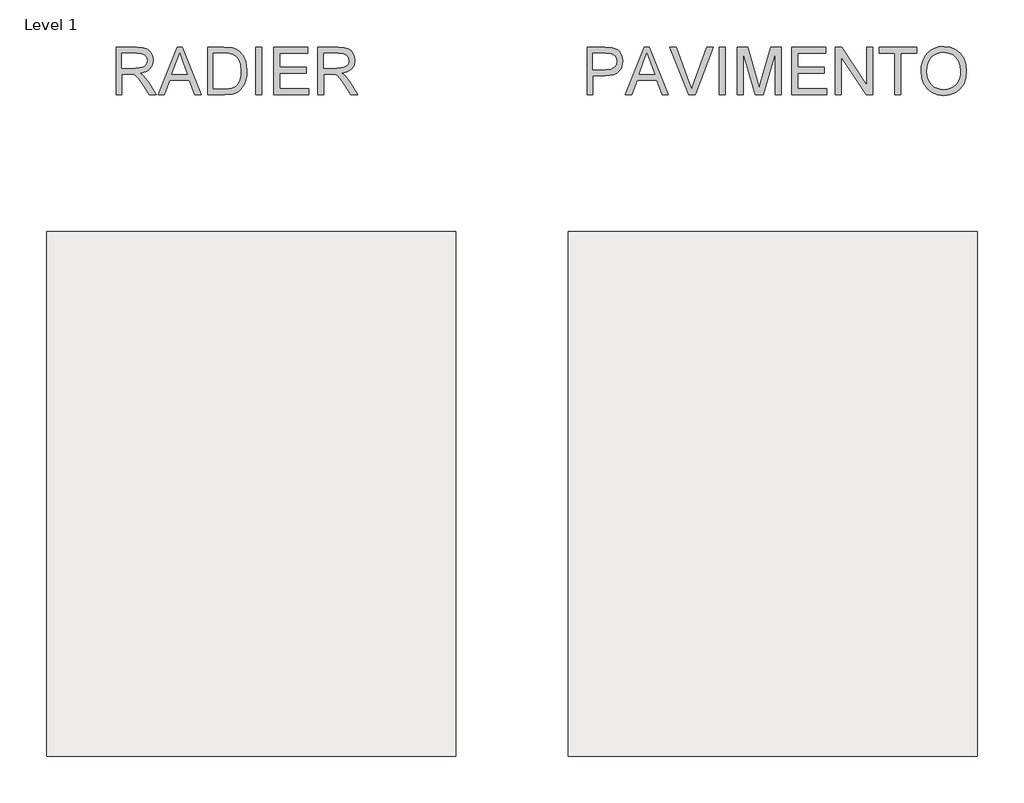
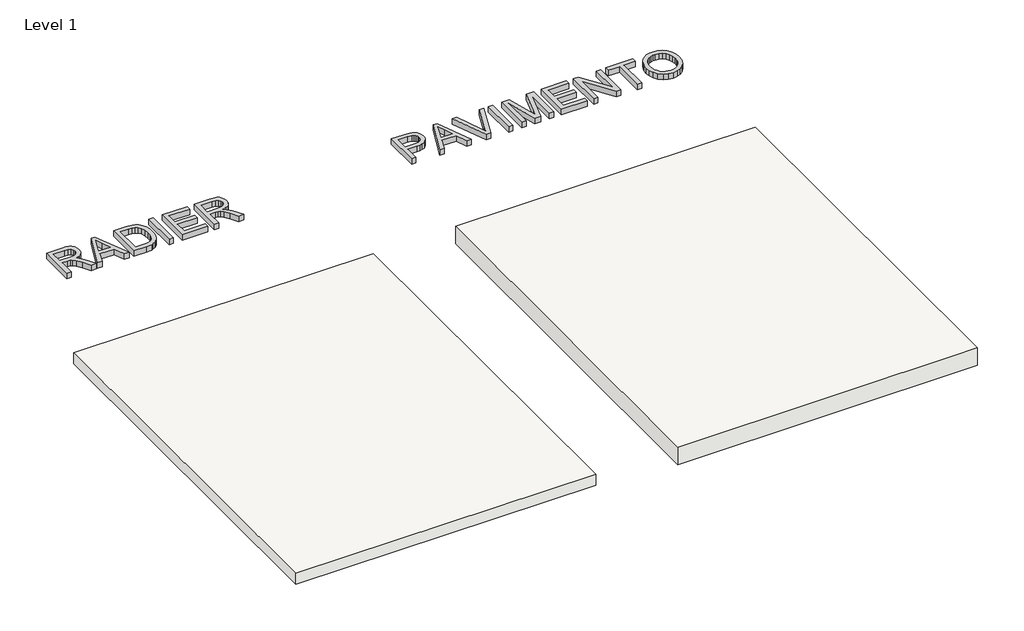
# One storey: 2 proxies, 2 slabs.
"""IFC4 building model written with IfcOpenShell, lengths in millimetres."""

from ifc_helpers import new_model, si_unit, frame, origin, origin_with_axes, place, context, project, spatial, polyline, outline, extrude, element, save

model = new_model("IFC4")

# Units and contexts
model_context = context("Model", 3, world=origin())
ifc_project = project(units=[si_unit("LENGTHUNIT", "METRE", prefix="MILLI")], contexts=[model_context])

# Site, building, storey
site = spatial("IfcSite", under=ifc_project)
building = spatial("IfcBuilding", under=site)
storey = spatial("IfcBuildingStorey", under=building, Name="Level 1", Elevation=0.0)

# Proxies
placement = place(None, origin())
element("IfcBuildingElementProxy", 1, Name="Generic Models", at=placement, inside=storey, context=model_context, shape_type="SweptSolid", body=[
    extrude(outline(polyline([(16165.7178167, 4943.9931302), (16165.7178167, 5245.3620607), (16295.580161, 5245.3620607), (16330.4829653, 5243.3295126), (16355.87602, 5237.2318686), (16374.4356667, 5225.9746795), (16388.8382468, 5208.4634965), (16398.0812819, 5186.7492618), (16401.1622936, 5162.8829173), (16396.0579309, 5133.1948403), (16380.7448429, 5108.5835348), (16369.1450637, 5098.554152), (16354.763177, 5090.538923), (16317.6530807, 5080.5509268), (16339.0638128, 5064.4376954), (16369.5980184, 5025.6629331), (16419.850699, 4943.9931302), (16376.0727416, 4943.9931302), (16336.8565209, 5006.459493), (16308.5296072, 5047.8094292), (16288.6271913, 5067.3439632), (16270.7113381, 5074.5176621), (16248.8591476, 5075.8420373), (16203.388933, 5075.8420373), (16203.388933, 4943.9931302), (16165.7178167, 4943.9931302)]), holes=[polyline([(16203.388933, 5113.5131536), (16287.7074863, 5113.5131536), (16311.9233187, 5114.8467258), (16330.7128916, 5118.8474425), (16344.8579543, 5125.7820181), (16355.140256, 5135.9171671), (16361.403447, 5148.1768346), (16363.4911773, 5161.4849658), (16359.5088547, 5179.8606714), (16347.5618869, 5194.6679217), (16327.0064805, 5204.4351887), (16297.1988418, 5207.6909443), (16203.388933, 5207.6909443), (16203.388933, 5113.5131536)])]), origin_with_axes(), (0.0, 0.0, 1.0), 50.0),
    extrude(outline(polyline([(16431.9908048, 4943.9931302), (16552.2882172, 5245.3620607), (16584.3675272, 5245.3620607), (16704.6649397, 4943.9931302), (16664.8601078, 4943.9931302), (16630.3527766, 5038.170921), (16506.2293915, 5038.170921), (16471.7956367, 4943.9931302), (16431.9908048, 4943.9931302)]), holes=[polyline([(16520.0617545, 5075.8420373), (16616.59399, 5075.8420373), (16589.4442988, 5149.9334711), (16568.3278722, 5207.6909443), (16549.5658905, 5156.4081942), (16520.0617545, 5075.8420373)])]), origin_with_axes(), (0.0, 0.0, 1.0), 50.0),
    extrude(outline(polyline([(16744.9112299, 4943.9931302), (16744.9112299, 5245.3620607), (16848.8746818, 5245.3620607), (16902.6590295, 5241.0210531), (16926.6817237, 5232.6517377), (16946.9520217, 5219.4631682), (16967.7925367, 5196.5073317), (16982.6365752, 5167.9596889), (16991.5209254, 5134.3720627), (16994.4823755, 5096.2962762), (16992.4774186, 5063.9502518), (16986.462548, 5035.4853824), (16977.3022863, 5011.251156), (16965.8611562, 4991.5970604), (16952.6909808, 4976.0816372), (16938.343583, 4964.2634281), (16921.8716667, 4955.4986396), (16902.3279357, 4949.1434781), (16853.8778769, 4943.9931302), (16744.9112299, 4943.9931302)]), holes=[polyline([(16782.5823462, 4981.6642465), (16849.2425638, 4981.6642465), (16876.8153193, 4983.0254099), (16897.7294107, 4987.1089), (16913.5115483, 4993.6755937), (16925.6884424, 5002.4863674), (16938.7758443, 5018.7927369), (16948.6074907, 5039.8999663), (16954.760317, 5065.9000264), (16956.8112591, 5096.8848874), (16952.7921483, 5137.9405181), (16940.734816, 5168.2539945), (16922.9201303, 5189.0761154), (16901.6289599, 5201.6576796), (16879.9607104, 5206.1826282), (16848.2124942, 5207.6909443), (16782.5823462, 5207.6909443), (16782.5823462, 4981.6642465)])]), origin_with_axes(), (0.0, 0.0, 1.0), 50.0),
    extrude(outline(polyline([(17050.9890499, 4943.9931302), (17050.9890499, 5245.3620607), (17088.6601662, 5245.3620607), (17088.6601662, 4943.9931302), (17050.9890499, 4943.9931302)])), origin_with_axes(), (0.0, 0.0, 1.0), 50.0),
    extrude(outline(polyline([(17164.0023988, 4943.9931302), (17164.0023988, 5245.3620607), (17380.6113176, 5245.3620607), (17380.6113176, 5207.6909443), (17201.6735151, 5207.6909443), (17201.6735151, 5118.2220431), (17371.1935385, 5118.2220431), (17371.1935385, 5080.5509268), (17201.6735151, 5080.5509268), (17201.6735151, 4981.6642465), (17385.3202071, 4981.6642465), (17385.3202071, 4943.9931302), (17164.0023988, 4943.9931302)])), origin_with_axes(), (0.0, 0.0, 1.0), 50.0),
    extrude(outline(polyline([(17441.8268816, 4943.9931302), (17441.8268816, 5245.3620607), (17571.6892259, 5245.3620607), (17606.5920302, 5243.3295126), (17631.9850849, 5237.2318686), (17650.5447316, 5225.9746795), (17664.9473117, 5208.4634965), (17674.1903468, 5186.7492618), (17677.2713585, 5162.8829173), (17672.1669958, 5133.1948403), (17656.8539078, 5108.5835348), (17645.2541286, 5098.554152), (17630.8722419, 5090.538923), (17593.7621456, 5080.5509268), (17615.1728777, 5064.4376954), (17645.7070833, 5025.6629331), (17695.9597639, 4943.9931302), (17652.1818064, 4943.9931302), (17612.9655857, 5006.459493), (17584.6386721, 5047.8094292), (17564.7362562, 5067.3439632), (17546.820403, 5074.5176621), (17524.9682125, 5075.8420373), (17479.4979979, 5075.8420373), (17479.4979979, 4943.9931302), (17441.8268816, 4943.9931302)]), holes=[polyline([(17479.4979979, 5113.5131536), (17563.8165512, 5113.5131536), (17588.0323835, 5114.8467258), (17606.8219564, 5118.8474425), (17620.9670191, 5125.7820181), (17631.2493209, 5135.9171671), (17637.5125119, 5148.1768346), (17639.6002422, 5161.4849658), (17635.6179196, 5179.8606714), (17623.6709518, 5194.6679217), (17603.1155453, 5204.4351887), (17573.3079067, 5207.6909443), (17479.4979979, 5207.6909443), (17479.4979979, 5113.5131536)])]), origin_with_axes(), (0.0, 0.0, 1.0), 50.0),
])
element("IfcBuildingElementProxy", 2, Name="Generic Models", at=placement, inside=storey, context=model_context, shape_type="SweptSolid", body=[
    extrude(outline(polyline([(19146.9178167, 4943.9931302), (19146.9178167, 5245.3620607), (19258.6067905, 5245.3620607), (19303.6355467, 5242.4925811), (19323.7127065, 5237.130701), (19340.2398052, 5228.4027007), (19353.5479364, 5215.9131069), (19363.9681939, 5199.2664467), (19370.7004344, 5179.6307452), (19372.9445146, 5158.1740278), (19371.4293006, 5139.674162), (19366.8836587, 5122.6550212), (19359.3075888, 5107.1166054), (19348.7010911, 5093.0589146), (19334.1398619, 5081.4062525), (19314.6995977, 5073.0829223), (19290.3802985, 5068.0889242), (19261.1819644, 5066.4242582), (19184.588933, 5066.4242582), (19184.588933, 4943.9931302), (19146.9178167, 4943.9931302)]), holes=[polyline([(19184.588933, 5104.0953745), (19263.3892564, 5104.0953745), (19296.7929416, 5107.5534653), (19318.8658613, 5117.9277375), (19331.171514, 5134.5743978), (19335.2733982, 5156.8496526), (19332.8545741, 5173.7722244), (19325.5981018, 5188.0460458), (19314.4052921, 5198.7882001), (19300.1774559, 5205.1157704), (19262.5063396, 5207.6909443), (19184.588933, 5207.6909443), (19184.588933, 5104.0953745)])]), origin_with_axes(), (0.0, 0.0, 1.0), 50.0),
    extrude(outline(polyline([(19389.6463571, 4943.9931302), (19509.9437696, 5245.3620607), (19542.0230795, 5245.3620607), (19662.320492, 4943.9931302), (19622.5156601, 4943.9931302), (19588.0083289, 5038.170921), (19463.8849438, 5038.170921), (19429.451189, 4943.9931302), (19389.6463571, 4943.9931302)]), holes=[polyline([(19477.7173068, 5075.8420373), (19574.2495423, 5075.8420373), (19547.0998511, 5149.9334711), (19525.9834245, 5207.6909443), (19507.2214428, 5156.4081942), (19477.7173068, 5075.8420373)])]), origin_with_axes(), (0.0, 0.0, 1.0), 50.0),
    extrude(outline(polyline([(19791.5942251, 4943.9931302), (19671.6646946, 5245.3620607), (19711.9845613, 5245.3620607), (19792.2564127, 5028.2381071), (19808.5167968, 4979.3098017), (19824.5564518, 5028.2381071), (19905.0490324, 5245.3620607), (19945.368899, 5245.3620607), (19830.5161402, 4943.9931302), (19791.5942251, 4943.9931302)])), origin_with_axes(), (0.0, 0.0, 1.0), 50.0),
    extrude(outline(polyline([(19985.1001545, 4943.9931302), (19985.1001545, 5245.3620607), (20022.7712708, 5245.3620607), (20022.7712708, 4943.9931302), (19985.1001545, 4943.9931302)])), origin_with_axes(), (0.0, 0.0, 1.0), 50.0),
    extrude(outline(polyline([(20098.1135034, 4943.9931302), (20098.1135034, 5245.3620607), (20162.934311, 5245.3620607), (20224.5913334, 5032.9469966), (20237.0257448, 4988.580428), (20250.4902258, 5036.6258166), (20311.1171787, 5245.3620607), (20375.9379862, 5245.3620607), (20375.9379862, 4943.9931302), (20338.2668699, 4943.9931302), (20338.2668699, 5207.6909443), (20262.5567553, 4943.9931302), (20211.4947344, 4943.9931302), (20135.7846198, 5207.6909443), (20135.7846198, 4943.9931302), (20098.1135034, 4943.9931302)])), origin_with_axes(), (0.0, 0.0, 1.0), 50.0),
    extrude(outline(polyline([(20441.8624397, 4943.9931302), (20441.8624397, 5245.3620607), (20658.4713585, 5245.3620607), (20658.4713585, 5207.6909443), (20479.533556, 5207.6909443), (20479.533556, 5118.2220431), (20649.0535794, 5118.2220431), (20649.0535794, 5080.5509268), (20479.533556, 5080.5509268), (20479.533556, 4981.6642465), (20663.180248, 4981.6642465), (20663.180248, 4943.9931302), (20441.8624397, 4943.9931302)])), origin_with_axes(), (0.0, 0.0, 1.0), 50.0),
    extrude(outline(polyline([(20719.6869225, 4943.9931302), (20719.6869225, 5245.3620607), (20760.0067892, 5245.3620607), (20917.4602831, 5006.6066458), (20917.4602831, 5245.3620607), (20955.1313994, 5245.3620607), (20955.1313994, 4943.9931302), (20914.8115327, 4943.9931302), (20757.3580388, 5182.8221215), (20757.3580388, 4943.9931302), (20719.6869225, 4943.9931302)])), origin_with_axes(), (0.0, 0.0, 1.0), 50.0),
    extrude(outline(polyline([(21096.3980856, 4943.9931302), (21096.3980856, 5207.6909443), (20997.5114053, 5207.6909443), (20997.5114053, 5245.3620607), (21232.9558822, 5245.3620607), (21232.9558822, 5207.6909443), (21134.0692019, 5207.6909443), (21134.0692019, 4943.9931302), (21096.3980856, 4943.9931302)])), origin_with_axes(), (0.0, 0.0, 1.0), 50.0),
    extrude(outline(polyline([(21261.2092194, 5090.7044699), (21263.720014, 5126.0533311), (21271.2523979, 5157.3462933), (21283.806371, 5184.5833565), (21301.3819333, 5207.7645207), (21322.9260226, 5226.2735836), (21347.3855768, 5239.4943428), (21374.7605957, 5247.4267983), (21405.0510795, 5250.0709502), (21444.5799999, 5245.1045433), (21480.0254301, 5230.2053225), (21509.4559897, 5206.4217515), (21530.9402983, 5174.802294), (21544.0736855, 5136.8736603), (21548.4514812, 5094.1625606), (21543.8437592, 5050.8812439), (21530.0205933, 5012.4191813), (21507.7453385, 4980.7445415), (21477.78135, 4957.8254932), (21442.6394224, 4943.9195538), (21404.8303503, 4939.2842407), (21364.6944246, 4944.4069974), (21329.0466593, 4959.7752678), (21299.6896761, 4984.0002972), (21278.4260968, 5015.6933311), (21265.5134387, 5052.1596338), (21261.2092194, 5090.7044699)]), holes=[polyline([(21298.8803357, 5090.3365879), (21300.7634317, 5065.3619989), (21306.4127196, 5043.1925102), (21315.8281994, 5023.8281217), (21329.0098711, 5007.2688334), (21345.0334313, 4994.0066874), (21362.9745763, 4984.5337261), (21382.8333063, 4978.8499492), (21404.6096211, 4976.955357), (21426.7584165, 4978.8683433), (21446.8516712, 4984.6073025), (21464.8893853, 4994.1722343), (21480.8715587, 5007.563139), (21493.9566614, 5024.4719152), (21503.3031634, 5044.5904618), (21508.9110645, 5067.9187788), (21510.7803649, 5094.4568662), (21507.5797916, 5127.8053691), (21497.9780715, 5156.6289234), (21482.223525, 5180.2009623), (21460.5644726, 5197.7949187), (21434.4356539, 5208.7486051), (21405.2718087, 5212.3998339), (21384.2519512, 5210.6408981), (21364.7496069, 5205.3640907), (21346.7647759, 5196.5694118), (21330.2974581, 5184.2568613), (21316.552467, 5167.8332294), (21306.7346163, 5146.7053066), (21300.8439059, 5120.8730927), (21298.8803357, 5090.3365879)])]), origin_with_axes(), (0.0, 0.0, 1.0), 50.0),
])

# Slabs
element("IfcSlab", 3, ObjectType="- Pavimento", at=placement, inside=storey, context=model_context, shape_type="SweptSolid", body=[
    extrude(outline(polyline([(21618.3142725, 4078.5255102), (21618.3142725, 753.5255102), (19027.2600736, 753.5255102), (19027.2600736, 4078.5255102), (21618.3142725, 4078.5255102)])), frame((0.0, 0.0, -160.0), z_axis=(0.0, 0.0, 1.0), x_axis=(1.0, 0.0, 0.0)), (0.0, 0.0, 1.0), 160.0),
])
element("IfcSlab", 4, ObjectType="- Radier", at=placement, inside=storey, context=model_context, shape_type="SweptSolid", body=[
    extrude(outline(polyline([(18317.1142725, 4078.5255102), (18317.1142725, 753.5255102), (15726.0600736, 753.5255102), (15726.0600736, 4078.5255102), (18317.1142725, 4078.5255102)])), frame((0.0, 0.0, -100.0), z_axis=(0.0, 0.0, 1.0), x_axis=(1.0, 0.0, 0.0)), (0.0, 0.0, 1.0), 100.0),
])

save(model, "model.ifc")
